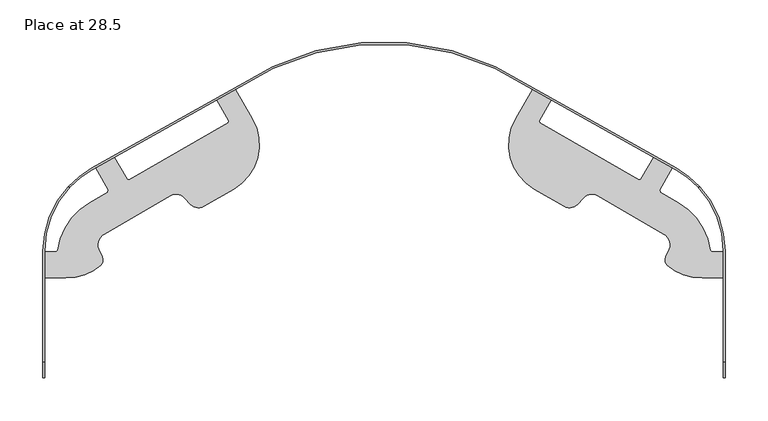
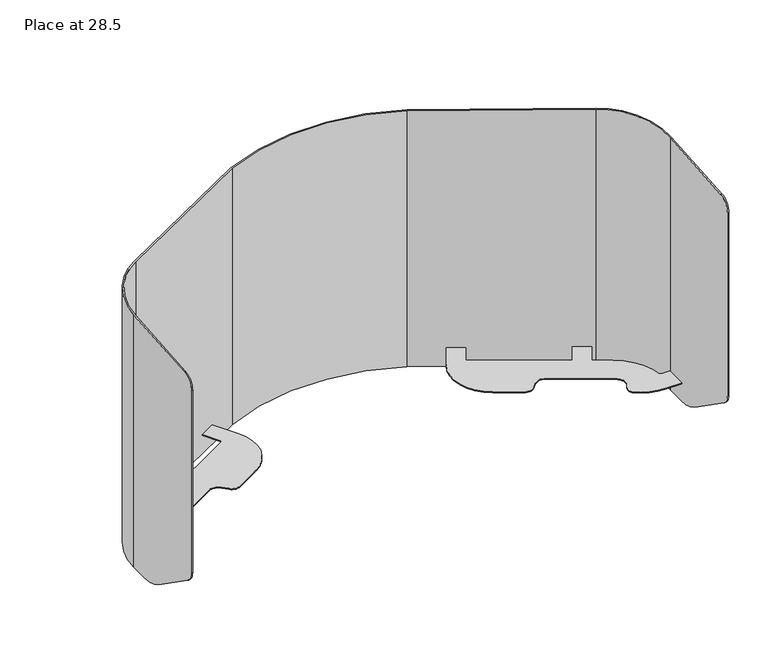
"""IFC4 building model written with IfcOpenShell, lengths in millimetres: furniture geometry, Place at 28.5."""

import ifcopenshell
import ifcopenshell.guid

model = None  # the IFC model being written
_history = None  # IfcOwnerHistory: only IFC2X3 demands one
_inside = {}  # id of a spatial element -> (the spatial element, [elements in it])
_under = {}  # id of a project, library or spatial element -> (it, [spatial elements below it])
_declared = {}  # id of a project -> (the project, [libraries it declares])
_typed = {}  # id of a type object -> (the type object, [elements of that type])
_made_of = {}  # id of a material, layer set ... -> (it, [elements and type objects made of it])


def new_model(schema):
    """Start an empty IFC model of exactly this schema.

    Asked for "IFC4X3", IfcOpenShell would pick the latest addendum, in which some entities
    have other attributes; the version numbers below select the first issue.
    IFC2X3 requires an IfcOwnerHistory on every rooted entity: one is made here for all.
    """
    global model, _history
    if schema == "IFC4X3":
        model = ifcopenshell.file(schema_version=(4, 3, 0, 0))
    else:
        model = ifcopenshell.file(schema=schema)
    _inside.clear()
    _under.clear()
    _declared.clear()
    _typed.clear()
    _made_of.clear()
    _history = None
    if model.schema == "IFC2X3":
        org = make("IfcOrganization", Name="unknown")
        user = make(
            "IfcPersonAndOrganization",
            ThePerson=make("IfcPerson", FamilyName="unknown"),
            TheOrganization=org,
        )
        app = make(
            "IfcApplication",
            ApplicationDeveloper=org,
            Version="unknown",
            ApplicationFullName="unknown",
            ApplicationIdentifier="unknown",
        )
        _history = make(
            "IfcOwnerHistory",
            OwningUser=user,
            OwningApplication=app,
            ChangeAction="ADDED",
            CreationDate=0,
        )
    return model


def make(cls, **values):
    """One entity of the class cls with the attributes given. An attribute that is None is left unset."""
    return model.create_entity(
        cls, **{name: value for name, value in values.items() if value is not None}
    )


def rooted(cls, **values):
    """An entity with a GlobalId (a new one), such as an element, a storey or a relation."""
    return make(cls, GlobalId=ifcopenshell.guid.new(), OwnerHistory=_history, **values)


def si_unit(unit_type, name, prefix=None):
    """IfcSIUnit, for example si_unit("LENGTHUNIT", "METRE", prefix="MILLI")."""
    return make("IfcSIUnit", UnitType=unit_type, Prefix=prefix, Name=name)


def assignment(units):
    """IfcUnitAssignment: the units of a project."""
    return None if units is None else make("IfcUnitAssignment", Units=units)


def point(xyz):
    """IfcCartesianPoint."""
    return None if xyz is None else make("IfcCartesianPoint", Coordinates=xyz)


def direction(xyz):
    """IfcDirection."""
    return None if xyz is None else make("IfcDirection", DirectionRatios=xyz)


def frame(location, z_axis=None, x_axis=None):
    """IfcAxis2Placement3D, a coordinate frame: its origin and axes. An axis left out is left unset."""
    return make(
        "IfcAxis2Placement3D",
        Location=point(location),
        Axis=direction(z_axis),
        RefDirection=direction(x_axis),
    )


def frame_2d(location, x_axis=None):
    """IfcAxis2Placement2D, a coordinate frame in the plane: its origin and x axis."""
    return make(
        "IfcAxis2Placement2D", Location=point(location), RefDirection=direction(x_axis)
    )


def origin():
    """The frame at (0, 0, 0) with its axes left unset."""
    return frame((0.0, 0.0, 0.0))


def place(relative_to, where):
    """IfcLocalPlacement: puts the frame where relative to a parent placement (None: the world)."""
    return make(
        "IfcLocalPlacement", PlacementRelTo=relative_to, RelativePlacement=where
    )


def context(
    kind, dimensions, precision=None, world=None, true_north=None, identifier=None
):
    """IfcGeometricRepresentationContext, for example the 3D "Model" context."""
    return make(
        "IfcGeometricRepresentationContext",
        ContextIdentifier=identifier,
        ContextType=kind,
        CoordinateSpaceDimension=dimensions,
        Precision=precision,
        WorldCoordinateSystem=world,
        TrueNorth=true_north,
    )


def project(units=None, contexts=None):
    """IfcProject with its units and contexts."""
    return rooted(
        "IfcProject",
        Name="project",
        RepresentationContexts=contexts,
        UnitsInContext=assignment(units),
    )


def spatial(cls, under=None, at=None, **own):
    """A site, building, storey or space (cls), placed at a placement, below another one or the project."""
    s = rooted(cls, ObjectPlacement=at, **own)
    if under is not None:
        _under.setdefault(under.id(), (under, []))[1].append(s)
    return s


def polyline(points):
    """IfcPolyline through the points."""
    return make("IfcPolyline", Points=[point(p) for p in points])


def circle_curve(where, radius):
    """IfcCircle in the frame where."""
    return make("IfcCircle", Position=where, Radius=radius)


def ellipse_curve(where, semi_axis1, semi_axis2):
    """IfcEllipse in the frame where."""
    return make(
        "IfcEllipse", Position=where, SemiAxis1=semi_axis1, SemiAxis2=semi_axis2
    )


def trimmed(basis, trim1, trim2, sense, master):
    """IfcTrimmedCurve: the piece of a basis curve between two trims."""
    return make(
        "IfcTrimmedCurve",
        BasisCurve=basis,
        Trim1=trim1,
        Trim2=trim2,
        SenseAgreement=sense,
        MasterRepresentation=master,
    )


def segment(curve, same_sense, transition):
    """IfcCompositeCurveSegment."""
    return make(
        "IfcCompositeCurveSegment",
        Transition=transition,
        SameSense=same_sense,
        ParentCurve=curve,
    )


def composite_curve(segments, self_intersect=None):
    """IfcCompositeCurve: segments joined end to end."""
    return make("IfcCompositeCurve", Segments=segments, SelfIntersect=self_intersect)


def outline(outer, holes=None, kind="AREA"):
    """IfcArbitraryClosedProfileDef: a profile drawn as a closed curve; with holes, ...WithVoids."""
    if holes is None:
        return make("IfcArbitraryClosedProfileDef", ProfileType=kind, OuterCurve=outer)
    return make(
        "IfcArbitraryProfileDefWithVoids",
        ProfileType=kind,
        OuterCurve=outer,
        InnerCurves=holes,
    )


def extrude(swept, where, along, depth):
    """IfcExtrudedAreaSolid: the profile swept, set in the frame where, extruded along a direction by depth."""
    return make(
        "IfcExtrudedAreaSolid",
        SweptArea=swept,
        Position=where,
        ExtrudedDirection=direction(along),
        Depth=depth,
    )


def shape(context_of_items, identifier, shape_type, items):
    """IfcShapeRepresentation: the items that make up one representation, for example the "Body"."""
    return make(
        "IfcShapeRepresentation",
        ContextOfItems=context_of_items,
        RepresentationIdentifier=identifier,
        RepresentationType=shape_type,
        Items=items,
    )


def source(mapping_origin, context_of_items, identifier, shape_type, items):
    """IfcRepresentationMap: a shape defined once, which mapped items show again and again."""
    return make(
        "IfcRepresentationMap",
        MappingOrigin=mapping_origin,
        MappedRepresentation=shape(context_of_items, identifier, shape_type, items),
    )


def transform(
    local_origin,
    x_axis=None,
    y_axis=None,
    z_axis=None,
    scale=None,
    scale2=None,
    scale3=None,
    uniform=True,
):
    """IfcCartesianTransformationOperator3D, or its non-uniform kind. x_axis, y_axis, z_axis: its Axis1, 2, 3."""
    if uniform:
        return make(
            "IfcCartesianTransformationOperator3D",
            Axis1=direction(x_axis),
            Axis2=direction(y_axis),
            LocalOrigin=point(local_origin),
            Scale=scale,
            Axis3=direction(z_axis),
        )
    return make(
        "IfcCartesianTransformationOperator3DnonUniform",
        Axis1=direction(x_axis),
        Axis2=direction(y_axis),
        LocalOrigin=point(local_origin),
        Scale=scale,
        Axis3=direction(z_axis),
        Scale2=scale2,
        Scale3=scale3,
    )


def mapped(mapping_source, mapping_target):
    """IfcMappedItem: shows the shape of a source again, moved by a transform."""
    return make(
        "IfcMappedItem", MappingSource=mapping_source, MappingTarget=mapping_target
    )


def made_of(thing, what):
    """Note that an element or type object is made of a material, layer set ...; save() writes the relation."""
    if what is not None:
        _made_of.setdefault(what.id(), (what, []))[1].append(thing)
    return thing


def element(
    cls,
    number,
    at=None,
    inside=None,
    cuts=None,
    type_object=None,
    material=None,
    context=None,
    identifier="Body",
    shape_type=None,
    held_by="IfcProductDefinitionShape",
    body=None,
    shapes=None,
    **own,
):
    """One element of the class cls, such as IfcWall. Its Tag is "e" and its number.

    at: its placement. inside: the storey or other place that contains it. cuts: it is an
    opening in that element (IfcRelVoidsElement). A single representation is given by context,
    identifier, shape_type and body (its items); several are given by shapes. held_by: the class
    of the entity that holds the representations. save() writes the other relations.
    """
    e = rooted(cls, Tag="e%d" % number, ObjectPlacement=at, **own)
    if body is not None:
        shapes = [shape(context, identifier, shape_type, body)]
    if shapes is not None:
        e.Representation = make(held_by, Representations=shapes)
    if inside is not None:
        _inside.setdefault(inside.id(), (inside, []))[1].append(e)
    if cuts is not None:
        rooted(
            "IfcRelVoidsElement", RelatingBuildingElement=cuts, RelatedOpeningElement=e
        )
    if type_object is not None:
        _typed.setdefault(type_object.id(), (type_object, []))[1].append(e)
    return made_of(e, material)


def aggregate(whole, parts):
    """IfcRelAggregates: a whole, such as a stair, and the parts it consists of."""
    return rooted("IfcRelAggregates", RelatingObject=whole, RelatedObjects=parts)


def save(model, path):
    """Write the relations noted so far, then the file.

    IfcRelAggregates (storeys below a building ...), IfcRelContainedInSpatialStructure (elements
    in a storey), IfcRelDefinesByType, IfcRelAssociatesMaterial and IfcRelDeclares: one each for
    every whole, place, type object, material and project.
    """
    for whole, parts in _under.values():
        aggregate(whole, parts)
    for where, things in _inside.values():
        rooted(
            "IfcRelContainedInSpatialStructure",
            RelatedElements=things,
            RelatingStructure=where,
        )
    for kind, things in _typed.values():
        rooted("IfcRelDefinesByType", RelatedObjects=things, RelatingType=kind)
    for what, things in _made_of.values():
        rooted("IfcRelAssociatesMaterial", RelatedObjects=things, RelatingMaterial=what)
    for by, libraries in _declared.values():
        rooted("IfcRelDeclares", RelatingContext=by, RelatedDefinitions=libraries)
    model.write(path)


def plane_surface(at):
    """IfcPlane: the flat surface through the origin of the frame at, square to its z axis."""
    return make("IfcPlane", Position=at)


def cylinder_surface(at, radius):
    """IfcCylindricalSurface: all points at the distance radius from the z axis of the frame at."""
    return make("IfcCylindricalSurface", Position=at, Radius=radius)


def revolved_surface(curve, axis_point, axis_direction):
    """IfcSurfaceOfRevolution: the curve turned about the line through axis_point along axis_direction."""
    return make(
        "IfcSurfaceOfRevolution",
        SweptCurve=make("IfcArbitraryOpenProfileDef", ProfileType="CURVE", Curve=curve),
        AxisPosition=make("IfcAxis1Placement", Location=point(axis_point), Axis=direction(axis_direction)),
    )


def advanced_brep(points, edges, surfaces, faces):
    """IfcAdvancedBrep: a solid bounded by faces that lie on surfaces and meet in shared edges.

    An edge is (start, end): straight between two places in points (the first is 0);
    or (start, end, curve); or (start, end, curve, False) where it runs against its curve.
    A face is (place in surfaces, loops), or (place, loops, False) where it looks against
    its surface's normal. A loop lists edges by number (the first is 1), with a minus sign
    where the edge is run from its end to its start. The first loop is the outer one.
    """
    corners = [point(p) for p in points]
    vertices = [make("IfcVertexPoint", VertexGeometry=c) for c in corners]
    made = []
    for start, end, *more in edges:
        made.append(
            make(
                "IfcEdgeCurve",
                EdgeStart=vertices[start],
                EdgeEnd=vertices[end],
                EdgeGeometry=more[0] if more else make("IfcPolyline", Points=[corners[start], corners[end]]),
                SameSense=more[1] if len(more) > 1 else True,
            )
        )
    hull = []
    for where, loops, *sense in faces:
        bounds = []
        for j, loop in enumerate(loops):
            ring = [make("IfcOrientedEdge", EdgeElement=made[abs(k) - 1], Orientation=k > 0) for k in loop]
            bounds.append(
                make(
                    "IfcFaceOuterBound" if j == 0 else "IfcFaceBound",
                    Bound=make("IfcEdgeLoop", EdgeList=ring),
                    Orientation=True,
                )
            )
        hull.append(make("IfcAdvancedFace", Bounds=bounds, FaceSurface=surfaces[where], SameSense=sense[0] if sense else True))
    return make("IfcAdvancedBrep", Outer=make("IfcClosedShell", CfsFaces=hull))


def place_at_28_5_a1f0bd74(model_context):
    return source(origin(), model_context, "Body", "SolidModel", [
        advanced_brep(
        [(-339.6685681, -245.6168533, 1073.7705774), (-128.8737609, -127.2479558, 1073.7705774), (128.8737609, -127.2479558, 1073.7705774), (339.6685681, -245.6168533, 1073.7705774), (364.9994777, -265.2683287, 1073.7705774), (367.6143615, -265.2683287, 1073.7705774), (340.6012993, -243.9558182, 1073.7705774), (129.7438066, -125.5517205, 1073.7705774), (-129.7438066, -125.5517205, 1073.7705774), (-340.6012993, -243.9558182, 1073.7705774), (-367.6143615, -265.2683287, 1073.7705774), (-364.9994777, -265.2683287, 1073.7705774), (-397.0005132, -340.3088755, 673.7705744), (-340.6012993, -243.9558182, 673.7705744), (-129.7438066, -125.5517205, 673.7705744), (129.7438066, -125.5517205, 673.7705744), (340.6012993, -243.9558182, 673.7705744), (397.0005132, -340.3088755, 673.7705744), (397.0005132, -368.5049804, 673.7705744), (395.0955132, -368.5049804, 673.7705744), (395.0955132, -340.3088755, 673.7705744), (339.6685681, -245.6168533, 673.7705744), (128.8737609, -127.2479558, 673.7705744), (-128.8737609, -127.2479558, 673.7705744), (-339.6685681, -245.6168533, 673.7705744), (-395.0955132, -340.3088755, 673.7705744), (-395.0955132, -368.5049804, 673.7705744), (-397.0005132, -368.5049804, 673.7705744), (-397.0005132, -402.9195196, 684.6214382), (-397.0005132, -478.8647387, 737.7988609), (-397.0005132, -487.3932152, 754.1819133), (-397.0005132, -487.3932152, 1039.0109259), (-397.0005132, -469.1363354, 1057.2678057), (-397.0005132, -340.3088755, 1067.6961716), (-395.0955132, -487.3932152, 754.1819133), (-395.0955132, -487.3932152, 1039.0109259), (-395.0955132, -340.3088755, 1067.6961716), (-395.0955132, -469.1363354, 1057.2678057), (-395.0955132, -478.8647387, 737.7988609), (-395.0955132, -402.9195196, 684.6214382), (395.0955132, -340.3088755, 1067.6961716), (395.0955132, -402.9195196, 684.6214382), (395.0955132, -478.8647387, 737.7988609), (395.0955132, -487.3932152, 754.1819133), (395.0955132, -487.3932152, 1039.0109259), (395.0955132, -469.1363354, 1057.2678057), (397.0005132, -487.3932152, 754.1819133), (397.0005132, -487.3932152, 1039.0109259), (397.0005132, -340.3088755, 1067.6961716), (397.0005132, -469.1363354, 1057.2678057), (397.0005132, -478.8647387, 737.7988609), (397.0005132, -402.9195196, 684.6214382)],
        [
            (0, 1),
            (1, 2, circle_curve(frame((0.0, -403.7881521, 1073.7705774), z_axis=(0.0, 0.0, -1.0), x_axis=(1.0, 0.0, 0.0)), 305.0949466)),
            (2, 3),
            (3, 4, circle_curve(frame((286.4955776, -340.3088755, 1073.7705774), z_axis=(0.0, 0.0, -1.0), x_axis=(-1.0, 0.0, 0.0)), 108.5999355)),
            (4, 5),
            (5, 6, circle_curve(frame((286.4955776, -340.3088755, 1073.7705774), z_axis=(0.0, 0.0, 1.0), x_axis=(-1.0, 0.0, 0.0)), 110.5049355)),
            (6, 7),
            (7, 8, circle_curve(frame((0.0, -403.7881521, 1073.7705774), z_axis=(0.0, 0.0, 1.0), x_axis=(1.0, 0.0, 0.0)), 306.9999466)),
            (8, 9),
            (9, 10, circle_curve(frame((-286.4955776, -340.3088755, 1073.7705774), z_axis=(0.0, 0.0, 1.0), x_axis=(1.0, 0.0, 0.0)), 110.5049355)),
            (10, 11),
            (11, 0, circle_curve(frame((-286.4955776, -340.3088755, 1073.7705774), z_axis=(0.0, 0.0, -1.0), x_axis=(1.0, 0.0, 0.0)), 108.5999355)),
            (12, 13, circle_curve(frame((-286.4955776, -340.3088755, 673.7705744), z_axis=(0.0, 0.0, -1.0), x_axis=(1.0, 0.0, 0.0)), 110.5049355)),
            (13, 14),
            (14, 15, circle_curve(frame((0.0, -403.7881521, 673.7705744), z_axis=(0.0, 0.0, -1.0), x_axis=(1.0, 0.0, 0.0)), 306.9999466)),
            (15, 16),
            (16, 17, circle_curve(frame((286.4955776, -340.3088755, 673.7705744), z_axis=(0.0, 0.0, -1.0), x_axis=(-1.0, 0.0, 0.0)), 110.5049355)),
            (17, 18),
            (18, 19),
            (19, 20),
            (20, 21, circle_curve(frame((286.4955776, -340.3088755, 673.7705744), z_axis=(0.0, 0.0, 1.0), x_axis=(-1.0, 0.0, 0.0)), 108.5999355)),
            (21, 22),
            (22, 23, circle_curve(frame((0.0, -403.7881521, 673.7705744), z_axis=(0.0, 0.0, 1.0), x_axis=(1.0, 0.0, 0.0)), 305.0949466)),
            (23, 24),
            (24, 25, circle_curve(frame((-286.4955776, -340.3088755, 673.7705744), z_axis=(0.0, 0.0, 1.0), x_axis=(1.0, 0.0, 0.0)), 108.5999355)),
            (25, 26),
            (26, 27),
            (27, 12),
            (27, 28, circle_curve(frame((-397.0005132, -368.5049804, 733.7704865), z_axis=(-1.0, 0.0, 0.0), x_axis=(0.0, 1.0, 0.0)), 59.9999121)),
            (28, 29),
            (29, 30, circle_curve(frame((-397.0005132, -467.3932002, 754.1819133), z_axis=(-1.0, 0.0, 0.0), x_axis=(0.0, 1.0, 0.0)), 20.000015)),
            (30, 31),
            (31, 32, circle_curve(frame((-397.0005132, -469.1363354, 1039.0109259), z_axis=(-1.0, 0.0, 0.0), x_axis=(0.0, 1.0, 0.0)), 18.2568798)),
            (32, 33),
            (33, 12),
            (30, 34),
            (34, 35),
            (35, 31),
            (25, 36),
            (36, 37),
            (37, 35, circle_curve(frame((-395.0955132, -469.1363354, 1039.0109259), z_axis=(1.0, 0.0, 0.0), x_axis=(0.0, 1.0, 0.0)), 18.2568798)),
            (34, 38, circle_curve(frame((-395.0955132, -467.3932002, 754.1819133), z_axis=(1.0, 0.0, 0.0), x_axis=(0.0, 1.0, 0.0)), 20.000015)),
            (38, 39),
            (39, 26, circle_curve(frame((-395.0955132, -368.5049804, 733.7704865), z_axis=(1.0, 0.0, 0.0), x_axis=(0.0, 1.0, 0.0)), 59.9999121)),
            (24, 0),
            (11, 36, ellipse_curve(frame((-286.4955776, -340.3088755, 1067.6961716), z_axis=(0.0, -0.0806843997843766, 0.9967396990345248), x_axis=(0.0, -0.9967396990345248, -0.08068439978437507)), 108.9551622, 108.5999355)),
            (23, 1),
            (22, 2),
            (21, 3),
            (20, 40),
            (40, 4, ellipse_curve(frame((286.4955776, -340.3088755, 1067.6961716), z_axis=(0.0, -0.0806843997843766, 0.9967396990345248), x_axis=(0.0, -0.9967396990345248, -0.08068439978437507)), 108.9551622, 108.5999355)),
            (19, 41, circle_curve(frame((395.0955132, -368.5049804, 733.7704865), z_axis=(-1.0, 0.0, 0.0), x_axis=(0.0, 1.0, 0.0)), 59.9999121)),
            (41, 42),
            (42, 43, circle_curve(frame((395.0955132, -467.3932002, 754.1819133), z_axis=(-1.0, 0.0, 0.0), x_axis=(0.0, 1.0, 0.0)), 20.000015)),
            (43, 44),
            (44, 45, circle_curve(frame((395.0955132, -469.1363354, 1039.0109259), z_axis=(-1.0, 0.0, 0.0), x_axis=(0.0, 1.0, 0.0)), 18.2568798)),
            (45, 40),
            (43, 46),
            (46, 47),
            (47, 44),
            (17, 48),
            (48, 49),
            (49, 47, circle_curve(frame((397.0005132, -469.1363354, 1039.0109259), z_axis=(1.0, 0.0, 0.0), x_axis=(0.0, 1.0, 0.0)), 18.2568798)),
            (46, 50, circle_curve(frame((397.0005132, -467.3932002, 754.1819133), z_axis=(1.0, 0.0, 0.0), x_axis=(0.0, 1.0, 0.0)), 20.000015)),
            (50, 51),
            (51, 18, circle_curve(frame((397.0005132, -368.5049804, 733.7704865), z_axis=(1.0, 0.0, 0.0), x_axis=(0.0, 1.0, 0.0)), 59.9999121)),
            (16, 6),
            (5, 48, ellipse_curve(frame((286.4955776, -340.3088755, 1067.6961716), z_axis=(0.0, 0.0806843997843766, -0.9967396990345248), x_axis=(0.0, 0.9967396990345248, 0.08068439978437507)), 110.8663934, 110.5049355)),
            (15, 7),
            (14, 8),
            (13, 9),
            (33, 10, ellipse_curve(frame((-286.4955776, -340.3088755, 1067.6961716), z_axis=(0.0, 0.0806843997843766, -0.9967396990345248), x_axis=(0.0, 0.9967396990345248, 0.08068439978437507)), 110.8663934, 110.5049355)),
            (29, 38),
            (42, 50),
            (39, 28),
            (51, 41),
            (32, 37),
            (45, 49),
        ],
        [
            plane_surface(frame((-397.0005132, -487.3932152, 1073.7705774), z_axis=(0.0, 0.0, 1.0), x_axis=(0.0, -1.0, 0.0))),
            plane_surface(frame((-397.0005132, -487.3932152, 673.7705744), z_axis=(0.0, 0.0, -1.0), x_axis=(0.0, 1.0, 0.0))),
            plane_surface(frame((-397.0005132, -340.3088755, 1073.7705774), z_axis=(-1.0, 0.0, 0.0), x_axis=(0.0, 0.0, -1.0))),
            plane_surface(frame((-397.0005132, -487.3932152, 1073.7705774), z_axis=(0.0, -1.0, 0.0), x_axis=(0.0, 0.0, -1.0))),
            plane_surface(frame((-395.0955132, -487.3932152, 1073.7705774), z_axis=(1.0, 0.0, 0.0), x_axis=(0.0, 0.0, -1.0))),
            revolved_surface(polyline([(-177.89564209999998, -340.3088755, 673.7705744), (-177.89564209999998, -340.3088755, 1076.4871534655163)]), (-286.4955776, -340.3088755, 673.7705744), (0.0, 0.0, -1.0)),
            plane_surface(frame((-339.6685681, -245.6168533, 1073.7705774), z_axis=(0.48962267071397075, -0.871934424324971, 0.0), x_axis=(0.0, 0.0, -1.0))),
            revolved_surface(polyline([(305.0949466, -403.7881521, 673.7705744), (305.0949466, -403.7881521, 1073.7705774)]), (0.0, -403.7881521, 673.7705744), (0.0, 0.0, -1.0)),
            plane_surface(frame((128.8737609, -127.2479558, 1073.7705774), z_axis=(-0.48962267071397064, -0.871934424324971, 0.0), x_axis=(0.0, 0.0, -1.0))),
            revolved_surface(polyline([(177.89564209999998, -340.3088755, 673.7705744), (177.89564209999998, -340.3088755, 1076.4871534655163)]), (286.4955776, -340.3088755, 673.7705744), (0.0, 0.0, -1.0)),
            plane_surface(frame((395.0955132, -340.3088755, 1073.7705774), z_axis=(-1.0, 0.0, 0.0), x_axis=(0.0, 0.0, -1.0))),
            plane_surface(frame((395.0955132, -487.3932152, 1073.7705774), z_axis=(0.0, -1.0, 0.0), x_axis=(0.0, 0.0, -1.0))),
            plane_surface(frame((397.0005132, -487.3932152, 1073.7705774), z_axis=(1.0, 0.0, 0.0), x_axis=(0.0, 0.0, -1.0))),
            cylinder_surface(frame((286.4955776, -340.3088755, 673.7705744), z_axis=(0.0, 0.0, 1.0), x_axis=(-1.0, 0.0, 0.0)), 110.5049355),
            plane_surface(frame((340.6012993, -243.9558182, 1073.7705774), z_axis=(0.4896226707139701, 0.8719344243249715, 0.0), x_axis=(0.0, 0.0, -1.0))),
            cylinder_surface(frame((0.0, -403.7881521, 673.7705744), z_axis=(0.0, 0.0, 1.0), x_axis=(1.0, 0.0, 0.0)), 306.9999466),
            plane_surface(frame((-129.7438066, -125.5517205, 1073.7705774), z_axis=(-0.48962267071397064, 0.871934424324971, 0.0), x_axis=(0.0, 0.0, -1.0))),
            cylinder_surface(frame((-286.4955776, -340.3088755, 673.7705744), z_axis=(0.0, 0.0, 1.0), x_axis=(1.0, 0.0, 0.0)), 110.5049355),
            cylinder_surface(frame((-585.4913424, -467.3932002, 754.1819133), z_axis=(-1.0, 0.0, 0.0), x_axis=(0.0, 1.0, 0.0)), 20.000015),
            cylinder_surface(frame((-585.4913424, -368.5049804, 733.7704865), z_axis=(-1.0, 0.0, 0.0), x_axis=(0.0, 1.0, 0.0)), 59.9999121),
            plane_surface(frame((532.462618, -402.9195196, 684.6214382), z_axis=(0.0, -0.5735764931768381, -0.8191520044991409), x_axis=(-1.0, 0.0, 0.0))),
            plane_surface(frame((515.4379384, -469.1363354, 1057.2678057), z_axis=(0.0, -0.0806843997843766, 0.9967396990345248), x_axis=(-1.0, 0.0, 0.0))),
            cylinder_surface(frame((-477.6683716, -469.1363354, 1039.0109259), z_axis=(-1.0, 0.0, 0.0), x_axis=(0.0, 1.0, 0.0)), 18.2568798),
        ],
        [
            (0, [[1, 2, 3, 4, 5, 6, 7, 8, 9, 10, 11, 12]]),
            (1, [[13, 14, 15, 16, 17, 18, 19, 20, 21, 22, 23, 24, 25, 26, 27, 28]]),
            (2, [[-28, 29, 30, 31, 32, 33, 34, 35]]),
            (3, [[36, 37, 38, -32]]),
            (4, [[-26, 39, 40, 41, -37, 42, 43, 44]]),
            (5, [[-25, 45, -12, 46, -39]]),
            (6, [[-1, -45, -24, 47]]),
            (7, [[-2, -47, -23, 48]]),
            (8, [[-3, -48, -22, 49]]),
            (9, [[-21, 50, 51, -4, -49]]),
            (10, [[-20, 52, 53, 54, 55, 56, 57, -50]]),
            (11, [[58, 59, 60, -55]]),
            (12, [[-18, 61, 62, 63, -59, 64, 65, 66]]),
            (13, [[-17, 67, -6, 68, -61]]),
            (14, [[-7, -67, -16, 69]]),
            (15, [[-8, -69, -15, 70]]),
            (16, [[-9, -70, -14, 71]]),
            (17, [[-13, -35, 72, -10, -71]]),
            (18, [[73, -42, -36, -31]]),
            (18, [[74, -64, -58, -54]]),
            (19, [[75, -29, -27, -44]]),
            (19, [[76, -52, -19, -66]]),
            (20, [[-73, -30, -75, -43]]),
            (20, [[-74, -53, -76, -65]]),
            (21, [[77, -40, -46, -11, -72, -34]]),
            (21, [[78, -62, -68, -5, -51, -57]]),
            (22, [[-77, -33, -38, -41]]),
            (22, [[-78, -56, -60, -63]]),
        ],
    ),
        extrude(outline(composite_curve([segment(polyline([(209.5984746, -287.9708661), (175.1159163, -268.0623555)]), True, "CONTINUOUS"), segment(trimmed(circle_curve(frame_2d((205.1159037, -216.1008432)), 59.9999834), [point((175.1159163, -268.0623555))], [point((153.1544053, -186.1008317))], False, "CARTESIAN"), True, "CONTINUOUS"), segment(polyline([(153.1544053, -186.1008317), (172.8695714, -151.9531923), (194.6694755, -164.1946259), (180.7550461, -188.2951382), (181.4504979, -190.890583), (296.5231796, -257.327825), (299.1186244, -256.6323732), (313.8491759, -231.118332), (335.6490664, -243.3597579), (320.8492384, -268.9938098), (321.5446901, -271.5892546), (342.7796585, -283.8492621)]), True, "CONTINUOUS"), segment(trimmed(circle_curve(frame_2d((304.9997277, -349.2860603)), 75.559895), [point((342.7796585, -283.8492621))], [point((379.8795588, -339.1712878))], False, "CARTESIAN"), True, "CONTINUOUS"), segment(polyline([(379.8795588, -339.1712878), (381.7989701, -341.0906991), (395.0955132, -341.0906991), (395.0955132, -371.4581769), (370.2796878, -371.4581769)]), True, "CONTINUOUS"), segment(trimmed(circle_curve(frame_2d((370.2796878, -308.8431277)), 62.6150492), [point((370.2796878, -371.4581769))], [point((329.5483594, -356.3994446))], False, "CARTESIAN"), True, "CONTINUOUS"), segment(trimmed(circle_curve(frame_2d((337.1183817, -350.0474874)), 9.8819329), [point((329.5483594, -356.3994446))], [point((328.5603593, -345.1065514))], False, "CARTESIAN"), True, "CONTINUOUS"), segment(polyline([(328.5603593, -345.1065514), (331.060352, -340.7764014)]), True, "CONTINUOUS"), segment(trimmed(circle_curve(frame_2d((318.0698823, -333.2764117)), 15.0000717), [point((331.060352, -340.7764014))], [point((325.5699161, -320.2859673))], True, "CARTESIAN"), True, "CONTINUOUS"), segment(polyline([(325.5699161, -320.2859673), (248.7498441, -275.9338941)]), True, "CONTINUOUS"), segment(trimmed(circle_curve(frame_2d((241.868731, -287.8523359)), 13.7622299), [point((248.7498441, -275.9338941))], [point((231.7207839, -278.5562))], True, "CARTESIAN"), True, "CONTINUOUS"), segment(polyline([(231.7207839, -278.5562), (225.3131573, -285.5509618)]), True, "CONTINUOUS"), segment(trimmed(circle_curve(frame_2d((215.9484737, -276.9723429)), 12.7), [point((225.3131573, -285.5509618))], [point((209.5984746, -287.9708661))], False, "CARTESIAN"), True, "CONTINUOUS")], self_intersect=False)), frame((0.0, 0.0, 702.2505947), z_axis=(0.0, 0.0, 1.0), x_axis=(1.0, 0.0, 0.0)), (0.0, 0.0, 1.0), 1.5199654),
        extrude(outline(composite_curve([segment(trimmed(circle_curve(frame_2d((-215.9484737, -276.9723429)), 12.7), [point((-209.5984746, -287.9708661))], [point((-225.3131573, -285.5509618))], False, "CARTESIAN"), True, "CONTINUOUS"), segment(polyline([(-225.3131573, -285.5509618), (-231.7207839, -278.5562)]), True, "CONTINUOUS"), segment(trimmed(circle_curve(frame_2d((-241.868731, -287.8523359)), 13.7622299), [point((-231.7207839, -278.5562))], [point((-248.7498441, -275.9338941))], True, "CARTESIAN"), True, "CONTINUOUS"), segment(polyline([(-248.7498441, -275.9338941), (-325.5699161, -320.2859673)]), True, "CONTINUOUS"), segment(trimmed(circle_curve(frame_2d((-318.0698823, -333.2764117)), 15.0000717), [point((-325.5699161, -320.2859673))], [point((-331.060352, -340.7764014))], True, "CARTESIAN"), True, "CONTINUOUS"), segment(polyline([(-331.060352, -340.7764014), (-328.5603593, -345.1065514)]), True, "CONTINUOUS"), segment(trimmed(circle_curve(frame_2d((-337.1183817, -350.0474874)), 9.8819329), [point((-328.5603593, -345.1065514))], [point((-329.5483594, -356.3994446))], False, "CARTESIAN"), True, "CONTINUOUS"), segment(trimmed(circle_curve(frame_2d((-370.2796878, -308.8431277)), 62.6150492), [point((-329.5483594, -356.3994446))], [point((-370.2796878, -371.4581769))], False, "CARTESIAN"), True, "CONTINUOUS"), segment(polyline([(-370.2796878, -371.4581769), (-395.0955132, -371.4581769), (-395.0955132, -341.0906991), (-381.7989701, -341.0906991), (-379.8795588, -339.1712878)]), True, "CONTINUOUS"), segment(trimmed(circle_curve(frame_2d((-304.9997277, -349.2860603)), 75.559895), [point((-379.8795588, -339.1712878))], [point((-342.7796585, -283.8492621))], False, "CARTESIAN"), True, "CONTINUOUS"), segment(polyline([(-342.7796585, -283.8492621), (-321.5446901, -271.5892546), (-320.8492384, -268.9938098), (-335.6490664, -243.3597579), (-313.8491759, -231.118332), (-299.1186244, -256.6323732), (-296.5231796, -257.327825), (-181.4504979, -190.890583), (-180.7550461, -188.2951382), (-194.6694755, -164.1946259), (-172.8695714, -151.9531923), (-153.1544053, -186.1008317)]), True, "CONTINUOUS"), segment(trimmed(circle_curve(frame_2d((-205.1159037, -216.1008432)), 59.9999834), [point((-153.1544053, -186.1008317))], [point((-175.1159163, -268.0623555))], False, "CARTESIAN"), True, "CONTINUOUS"), segment(polyline([(-175.1159163, -268.0623555), (-209.5984746, -287.9708661)]), True, "CONTINUOUS")], self_intersect=False)), frame((0.0, 0.0, 702.2505947), z_axis=(0.0, 0.0, 1.0), x_axis=(1.0, 0.0, 0.0)), (0.0, 0.0, 1.0), 1.5199654),
    ])


if __name__ == "__main__":
    model = new_model("IFC4")
    model_context = context("Model", 3, world=origin())
    ifc_project = project(units=[si_unit("LENGTHUNIT", "METRE", prefix="MILLI")], contexts=[model_context])
    site = spatial("IfcSite", under=ifc_project)
    building = spatial("IfcBuilding", under=site)
    placement = place(None, origin())
    place_at_28_5_shape = place_at_28_5_a1f0bd74(model_context)
    element("IfcFurniture", 1, ObjectType="Place at 28.5", at=placement, inside=building, context=model_context, shape_type="MappedRepresentation", body=[
        mapped(place_at_28_5_shape, transform((0.0, 0.0, 0.0), x_axis=(1.0, 0.0, 0.0), y_axis=(0.0, 1.0, 0.0), z_axis=(0.0, 0.0, 1.0))),
    ])
    save(model, "model.ifc")
